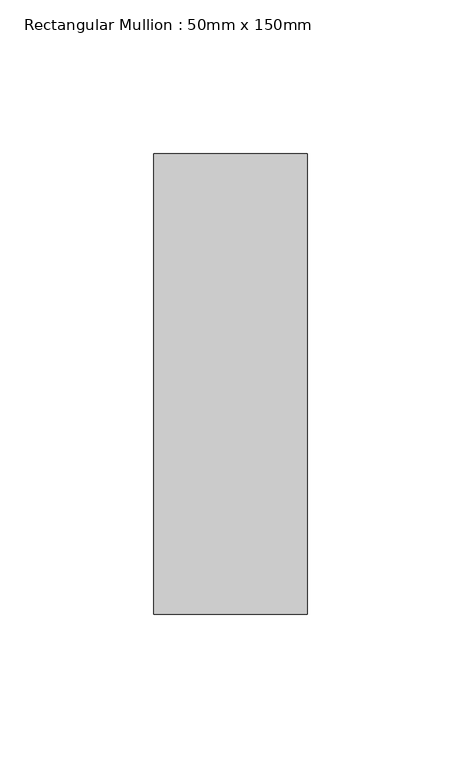
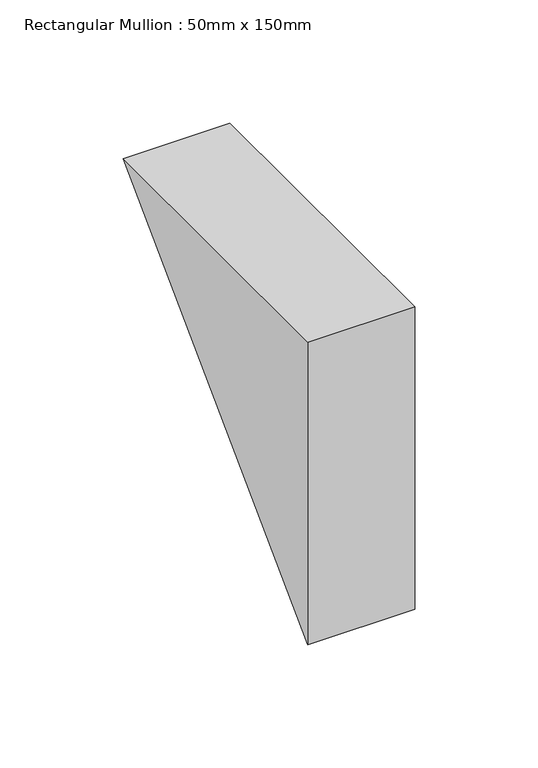
"""IFC4 building model written with IfcOpenShell, lengths in millimetres: member geometry, Rectangular Mullion : 50mm x 150mm."""

from ifc_helpers import new_model, si_unit, frame, origin, place, context, project, spatial, polyline, outline, extrude, source, transform, mapped, element, save


def rectangular_mullion_50mm_x_150mm_af047d88(model_context):
    return source(origin(), model_context, "Body", "SweptSolid", [
        extrude(outline(polyline([(-75.0, 0.0), (75.0, 0.0), (-75.0, -150.0), (-75.0, 0.0)])), frame((-50.0, 0.0, 0.0), z_axis=(1.0, 0.0, 0.0), x_axis=(0.0, 1.0, 0.0)), (0.0, 0.0, 1.0), 50.0),
    ])


if __name__ == "__main__":
    model = new_model("IFC4")
    model_context = context("Model", 3, world=origin())
    ifc_project = project(units=[si_unit("LENGTHUNIT", "METRE", prefix="MILLI")], contexts=[model_context])
    site = spatial("IfcSite", under=ifc_project)
    building = spatial("IfcBuilding", under=site)
    placement = place(None, origin())
    rectangular_mullion_50mm_x_150mm_shape = rectangular_mullion_50mm_x_150mm_af047d88(model_context)
    element("IfcMember", 1, ObjectType="Rectangular Mullion : 50mm x 150mm", at=placement, inside=building, context=model_context, shape_type="MappedRepresentation", body=[
        mapped(rectangular_mullion_50mm_x_150mm_shape, transform((0.0, 0.0, 0.0), x_axis=(1.0, 0.0, 0.0), y_axis=(0.0, 1.0, 0.0), z_axis=(0.0, 0.0, 1.0))),
    ])
    save(model, "model.ifc")
